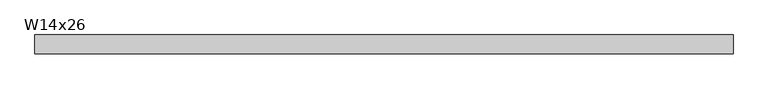
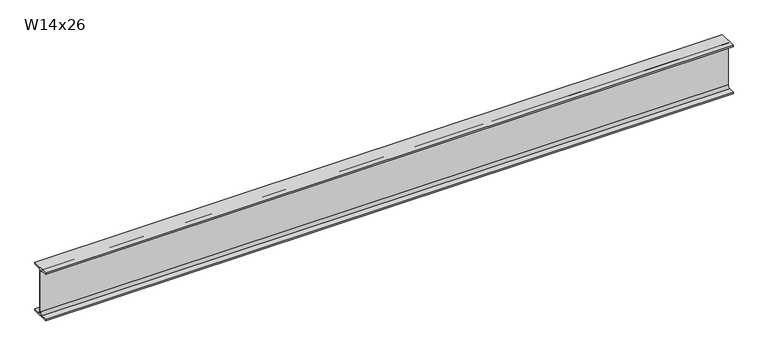
"""IFC4 building model written with IfcOpenShell, lengths in millimetres: beam geometry, W14x26."""

from ifc_helpers import new_model, si_unit, point, frame, frame_2d, origin, place, context, project, spatial, polyline, circle_curve, trimmed, segment, composite_curve, outline, extrude, source, transform, mapped, element, save


def w14x26_0bf5cb63(model_context):
    return source(origin(), model_context, "Body", "SweptSolid", [
        extrude(outline(composite_curve([segment(polyline([(63.881, -165.862), (63.881, -176.53), (-63.881, -176.53), (-63.881, -165.862), (-21.1455, -165.862)]), True, "CONTINUOUS"), segment(trimmed(circle_curve(frame_2d((-21.1455, -147.955)), 17.907), [point((-21.1455, -165.862))], [point((-3.2385, -147.955))], True, "CARTESIAN"), True, "CONTINUOUS"), segment(polyline([(-3.2385, -147.955), (-3.2385, 147.955)]), True, "CONTINUOUS"), segment(trimmed(circle_curve(frame_2d((-21.1455, 147.955)), 17.907), [point((-3.2385, 147.955))], [point((-21.1455, 165.862))], True, "CARTESIAN"), True, "CONTINUOUS"), segment(polyline([(-21.1455, 165.862), (-63.881, 165.862), (-63.881, 176.53), (63.881, 176.53), (63.881, 165.862), (21.1455, 165.862)]), True, "CONTINUOUS"), segment(trimmed(circle_curve(frame_2d((21.1455, 147.955)), 17.907), [point((21.1455, 165.862))], [point((3.2385, 147.955))], True, "CARTESIAN"), True, "CONTINUOUS"), segment(polyline([(3.2385, 147.955), (3.2385, -147.955)]), True, "CONTINUOUS"), segment(trimmed(circle_curve(frame_2d((21.1455, -147.955)), 17.907), [point((3.2385, -147.955))], [point((21.1455, -165.862))], True, "CARTESIAN"), True, "CONTINUOUS"), segment(polyline([(21.1455, -165.862), (63.881, -165.862)]), True, "CONTINUOUS")], self_intersect=False)), frame((-2336.292, 0.0, 0.0), z_axis=(1.0, 0.0, 0.0), x_axis=(0.0, 1.0, 0.0)), (0.0, 0.0, 1.0), 4774.692),
    ])


if __name__ == "__main__":
    model = new_model("IFC4")
    model_context = context("Model", 3, world=origin())
    ifc_project = project(units=[si_unit("LENGTHUNIT", "METRE", prefix="MILLI")], contexts=[model_context])
    site = spatial("IfcSite", under=ifc_project)
    building = spatial("IfcBuilding", under=site)
    placement = place(None, origin())
    w14x26_shape = w14x26_0bf5cb63(model_context)
    element("IfcBeam", 1, ObjectType="W14x26", at=placement, inside=building, context=model_context, shape_type="MappedRepresentation", body=[
        mapped(w14x26_shape, transform((0.0, 0.0, 0.0), x_axis=(1.0, 0.0, 0.0), y_axis=(0.0, 1.0, 0.0), z_axis=(0.0, 0.0, 1.0))),
    ])
    save(model, "model.ifc")
